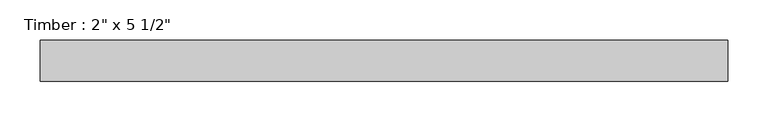
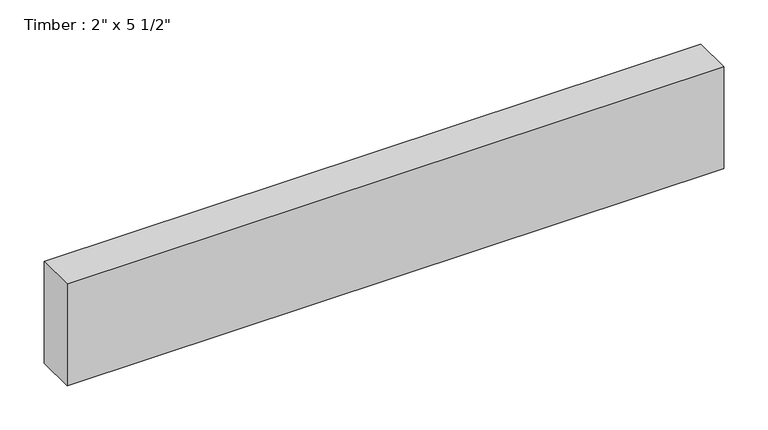
"""IFC4 building model written with IfcOpenShell, lengths in millimetres: beam geometry."""

import ifcopenshell
import ifcopenshell.guid

model = None  # the IFC model being written
_history = None  # IfcOwnerHistory: only IFC2X3 demands one
_inside = {}  # id of a spatial element -> (the spatial element, [elements in it])
_under = {}  # id of a project, library or spatial element -> (it, [spatial elements below it])
_declared = {}  # id of a project -> (the project, [libraries it declares])
_typed = {}  # id of a type object -> (the type object, [elements of that type])
_made_of = {}  # id of a material, layer set ... -> (it, [elements and type objects made of it])


def new_model(schema):
    """Start an empty IFC model of exactly this schema.

    Asked for "IFC4X3", IfcOpenShell would pick the latest addendum, in which some entities
    have other attributes; the version numbers below select the first issue.
    IFC2X3 requires an IfcOwnerHistory on every rooted entity: one is made here for all.
    """
    global model, _history
    if schema == "IFC4X3":
        model = ifcopenshell.file(schema_version=(4, 3, 0, 0))
    else:
        model = ifcopenshell.file(schema=schema)
    _inside.clear()
    _under.clear()
    _declared.clear()
    _typed.clear()
    _made_of.clear()
    _history = None
    if model.schema == "IFC2X3":
        org = make("IfcOrganization", Name="unknown")
        user = make(
            "IfcPersonAndOrganization",
            ThePerson=make("IfcPerson", FamilyName="unknown"),
            TheOrganization=org,
        )
        app = make(
            "IfcApplication",
            ApplicationDeveloper=org,
            Version="unknown",
            ApplicationFullName="unknown",
            ApplicationIdentifier="unknown",
        )
        _history = make(
            "IfcOwnerHistory",
            OwningUser=user,
            OwningApplication=app,
            ChangeAction="ADDED",
            CreationDate=0,
        )
    return model


def make(cls, **values):
    """One entity of the class cls with the attributes given. An attribute that is None is left unset."""
    return model.create_entity(
        cls, **{name: value for name, value in values.items() if value is not None}
    )


def rooted(cls, **values):
    """An entity with a GlobalId (a new one), such as an element, a storey or a relation."""
    return make(cls, GlobalId=ifcopenshell.guid.new(), OwnerHistory=_history, **values)


def si_unit(unit_type, name, prefix=None):
    """IfcSIUnit, for example si_unit("LENGTHUNIT", "METRE", prefix="MILLI")."""
    return make("IfcSIUnit", UnitType=unit_type, Prefix=prefix, Name=name)


def assignment(units):
    """IfcUnitAssignment: the units of a project."""
    return None if units is None else make("IfcUnitAssignment", Units=units)


def point(xyz):
    """IfcCartesianPoint."""
    return None if xyz is None else make("IfcCartesianPoint", Coordinates=xyz)


def direction(xyz):
    """IfcDirection."""
    return None if xyz is None else make("IfcDirection", DirectionRatios=xyz)


def frame(location, z_axis=None, x_axis=None):
    """IfcAxis2Placement3D, a coordinate frame: its origin and axes. An axis left out is left unset."""
    return make(
        "IfcAxis2Placement3D",
        Location=point(location),
        Axis=direction(z_axis),
        RefDirection=direction(x_axis),
    )


def origin():
    """The frame at (0, 0, 0) with its axes left unset."""
    return frame((0.0, 0.0, 0.0))


def place(relative_to, where):
    """IfcLocalPlacement: puts the frame where relative to a parent placement (None: the world)."""
    return make(
        "IfcLocalPlacement", PlacementRelTo=relative_to, RelativePlacement=where
    )


def context(
    kind, dimensions, precision=None, world=None, true_north=None, identifier=None
):
    """IfcGeometricRepresentationContext, for example the 3D "Model" context."""
    return make(
        "IfcGeometricRepresentationContext",
        ContextIdentifier=identifier,
        ContextType=kind,
        CoordinateSpaceDimension=dimensions,
        Precision=precision,
        WorldCoordinateSystem=world,
        TrueNorth=true_north,
    )


def project(units=None, contexts=None):
    """IfcProject with its units and contexts."""
    return rooted(
        "IfcProject",
        Name="project",
        RepresentationContexts=contexts,
        UnitsInContext=assignment(units),
    )


def spatial(cls, under=None, at=None, **own):
    """A site, building, storey or space (cls), placed at a placement, below another one or the project."""
    s = rooted(cls, ObjectPlacement=at, **own)
    if under is not None:
        _under.setdefault(under.id(), (under, []))[1].append(s)
    return s


def polyline(points):
    """IfcPolyline through the points."""
    return make("IfcPolyline", Points=[point(p) for p in points])


def outline(outer, holes=None, kind="AREA"):
    """IfcArbitraryClosedProfileDef: a profile drawn as a closed curve; with holes, ...WithVoids."""
    if holes is None:
        return make("IfcArbitraryClosedProfileDef", ProfileType=kind, OuterCurve=outer)
    return make(
        "IfcArbitraryProfileDefWithVoids",
        ProfileType=kind,
        OuterCurve=outer,
        InnerCurves=holes,
    )


def extrude(swept, where, along, depth):
    """IfcExtrudedAreaSolid: the profile swept, set in the frame where, extruded along a direction by depth."""
    return make(
        "IfcExtrudedAreaSolid",
        SweptArea=swept,
        Position=where,
        ExtrudedDirection=direction(along),
        Depth=depth,
    )


def shape(context_of_items, identifier, shape_type, items):
    """IfcShapeRepresentation: the items that make up one representation, for example the "Body"."""
    return make(
        "IfcShapeRepresentation",
        ContextOfItems=context_of_items,
        RepresentationIdentifier=identifier,
        RepresentationType=shape_type,
        Items=items,
    )


def source(mapping_origin, context_of_items, identifier, shape_type, items):
    """IfcRepresentationMap: a shape defined once, which mapped items show again and again."""
    return make(
        "IfcRepresentationMap",
        MappingOrigin=mapping_origin,
        MappedRepresentation=shape(context_of_items, identifier, shape_type, items),
    )


def transform(
    local_origin,
    x_axis=None,
    y_axis=None,
    z_axis=None,
    scale=None,
    scale2=None,
    scale3=None,
    uniform=True,
):
    """IfcCartesianTransformationOperator3D, or its non-uniform kind. x_axis, y_axis, z_axis: its Axis1, 2, 3."""
    if uniform:
        return make(
            "IfcCartesianTransformationOperator3D",
            Axis1=direction(x_axis),
            Axis2=direction(y_axis),
            LocalOrigin=point(local_origin),
            Scale=scale,
            Axis3=direction(z_axis),
        )
    return make(
        "IfcCartesianTransformationOperator3DnonUniform",
        Axis1=direction(x_axis),
        Axis2=direction(y_axis),
        LocalOrigin=point(local_origin),
        Scale=scale,
        Axis3=direction(z_axis),
        Scale2=scale2,
        Scale3=scale3,
    )


def mapped(mapping_source, mapping_target):
    """IfcMappedItem: shows the shape of a source again, moved by a transform."""
    return make(
        "IfcMappedItem", MappingSource=mapping_source, MappingTarget=mapping_target
    )


def made_of(thing, what):
    """Note that an element or type object is made of a material, layer set ...; save() writes the relation."""
    if what is not None:
        _made_of.setdefault(what.id(), (what, []))[1].append(thing)
    return thing


def element(
    cls,
    number,
    at=None,
    inside=None,
    cuts=None,
    type_object=None,
    material=None,
    context=None,
    identifier="Body",
    shape_type=None,
    held_by="IfcProductDefinitionShape",
    body=None,
    shapes=None,
    **own,
):
    """One element of the class cls, such as IfcWall. Its Tag is "e" and its number.

    at: its placement. inside: the storey or other place that contains it. cuts: it is an
    opening in that element (IfcRelVoidsElement). A single representation is given by context,
    identifier, shape_type and body (its items); several are given by shapes. held_by: the class
    of the entity that holds the representations. save() writes the other relations.
    """
    e = rooted(cls, Tag="e%d" % number, ObjectPlacement=at, **own)
    if body is not None:
        shapes = [shape(context, identifier, shape_type, body)]
    if shapes is not None:
        e.Representation = make(held_by, Representations=shapes)
    if inside is not None:
        _inside.setdefault(inside.id(), (inside, []))[1].append(e)
    if cuts is not None:
        rooted(
            "IfcRelVoidsElement", RelatingBuildingElement=cuts, RelatedOpeningElement=e
        )
    if type_object is not None:
        _typed.setdefault(type_object.id(), (type_object, []))[1].append(e)
    return made_of(e, material)


def aggregate(whole, parts):
    """IfcRelAggregates: a whole, such as a stair, and the parts it consists of."""
    return rooted("IfcRelAggregates", RelatingObject=whole, RelatedObjects=parts)


def save(model, path):
    """Write the relations noted so far, then the file.

    IfcRelAggregates (storeys below a building ...), IfcRelContainedInSpatialStructure (elements
    in a storey), IfcRelDefinesByType, IfcRelAssociatesMaterial and IfcRelDeclares: one each for
    every whole, place, type object, material and project.
    """
    for whole, parts in _under.values():
        aggregate(whole, parts)
    for where, things in _inside.values():
        rooted(
            "IfcRelContainedInSpatialStructure",
            RelatedElements=things,
            RelatingStructure=where,
        )
    for kind, things in _typed.values():
        rooted("IfcRelDefinesByType", RelatedObjects=things, RelatingType=kind)
    for what, things in _made_of.values():
        rooted("IfcRelAssociatesMaterial", RelatedObjects=things, RelatingMaterial=what)
    for by, libraries in _declared.values():
        rooted("IfcRelDeclares", RelatingContext=by, RelatedDefinitions=libraries)
    model.write(path)


def beam_4e5aee32(model_context):
    return source(origin(), model_context, "Body", "SweptSolid", [
        extrude(outline(polyline([(426.4468303, 25.4), (426.4468303, -25.4), (-426.4468303, -25.4), (-426.4468303, 25.4), (426.4468303, 25.4)])), frame((0.0, 0.0, -69.85), z_axis=(0.0, 0.0, 1.0), x_axis=(1.0, 0.0, 0.0)), (0.0, 0.0, 1.0), 139.7),
    ])


if __name__ == "__main__":
    model = new_model("IFC4")
    model_context = context("Model", 3, world=origin())
    ifc_project = project(units=[si_unit("LENGTHUNIT", "METRE", prefix="MILLI")], contexts=[model_context])
    site = spatial("IfcSite", under=ifc_project)
    building = spatial("IfcBuilding", under=site)
    placement = place(None, origin())
    beam_shape = beam_4e5aee32(model_context)
    element("IfcBeam", 1, ObjectType="Timber : 2\" x 5 1/2\"", at=placement, inside=building, context=model_context, shape_type="MappedRepresentation", body=[
        mapped(beam_shape, transform((0.0, 0.0, 0.0), x_axis=(1.0, 0.0, 0.0), y_axis=(0.0, 1.0, 0.0), z_axis=(0.0, 0.0, 1.0))),
    ])
    save(model, "model.ifc")
